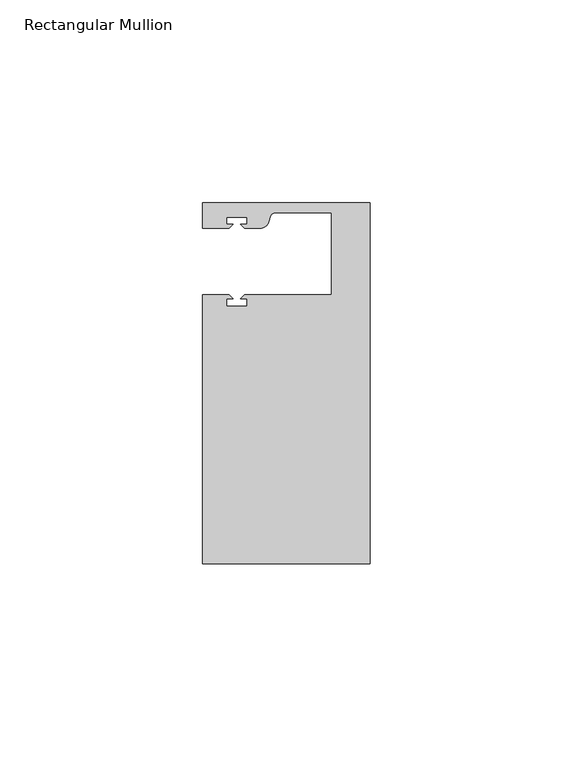
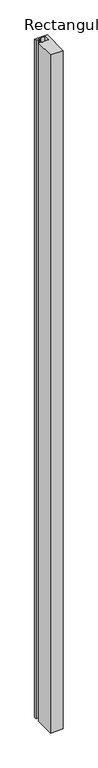
"""IFC4 building model written with IfcOpenShell, lengths in millimetres: member geometry, Rectangular Mullion."""

from ifc_helpers import new_model, si_unit, point, frame, frame_2d, origin, place, context, project, spatial, polyline, circle_curve, trimmed, segment, composite_curve, outline, extrude, source, transform, mapped, element, save


def rectangular_mullion_ac4baf78(model_context):
    return source(origin(), model_context, "Body", "SweptSolid", [
        extrude(outline(composite_curve([segment(polyline([(0.0, 44.45), (0.0, -44.45), (-41.275, -44.45), (-41.275, 21.749999), (-34.8007562, 21.749999), (-33.8007405, 20.7499834), (-35.3750134, 20.7499834), (-35.3750134, 18.949936), (-30.3750186, 18.949936), (-30.3750186, 20.7499834), (-31.949256, 20.7499834), (-30.9492434, 21.7499959), (-9.525, 21.7499959), (-9.525, 41.95), (-23.5599329, 41.95)]), True, "CONTINUOUS"), segment(trimmed(circle_curve(frame_2d((-23.5599329, 40.9500001)), 1.0), [point((-23.5599329, 41.95))], [point((-24.5258588, 41.2088192))], True, "CARTESIAN"), True, "CONTINUOUS"), segment(polyline([(-24.5258588, 41.2088192), (-24.8489707, 40.002949)]), True, "CONTINUOUS"), segment(trimmed(circle_curve(frame_2d((-27.2637853, 40.6499966)), 2.5), [point((-24.8489707, 40.002949))], [point((-27.2637853, 38.1499966))], False, "CARTESIAN"), True, "CONTINUOUS"), segment(polyline([(-27.2637853, 38.1499966), (-30.9492503, 38.1499966), (-31.949256, 39.1500023), (-30.3749831, 39.1500023), (-30.3749831, 40.9498819), (-35.3749778, 40.9498819), (-35.3749778, 39.1500023), (-33.8007405, 39.1500023), (-34.8007531, 38.1499897), (-41.2749977, 38.1499897), (-41.2749977, 44.45), (0.0, 44.45)]), True, "CONTINUOUS")], self_intersect=False)), frame((0.0, 0.0, -2336.8), z_axis=(0.0, 0.0, 1.0), x_axis=(1.0, 0.0, 0.0)), (0.0, 0.0, 1.0), 2336.8),
    ])


if __name__ == "__main__":
    model = new_model("IFC4")
    model_context = context("Model", 3, world=origin())
    ifc_project = project(units=[si_unit("LENGTHUNIT", "METRE", prefix="MILLI")], contexts=[model_context])
    site = spatial("IfcSite", under=ifc_project)
    building = spatial("IfcBuilding", under=site)
    placement = place(None, origin())
    rectangular_mullion_shape = rectangular_mullion_ac4baf78(model_context)
    element("IfcMember", 1, ObjectType="Rectangular Mullion", at=placement, inside=building, context=model_context, shape_type="MappedRepresentation", body=[
        mapped(rectangular_mullion_shape, transform((0.0, 0.0, 0.0), x_axis=(1.0, 0.0, 0.0), y_axis=(0.0, 1.0, 0.0), z_axis=(0.0, 0.0, 1.0))),
    ])
    save(model, "model.ifc")
